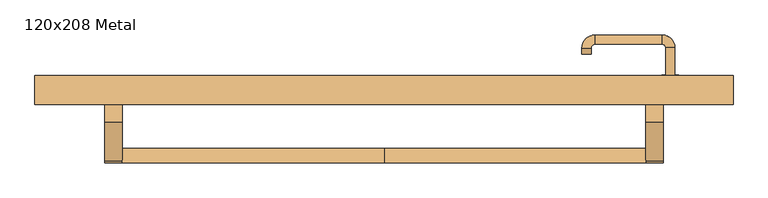
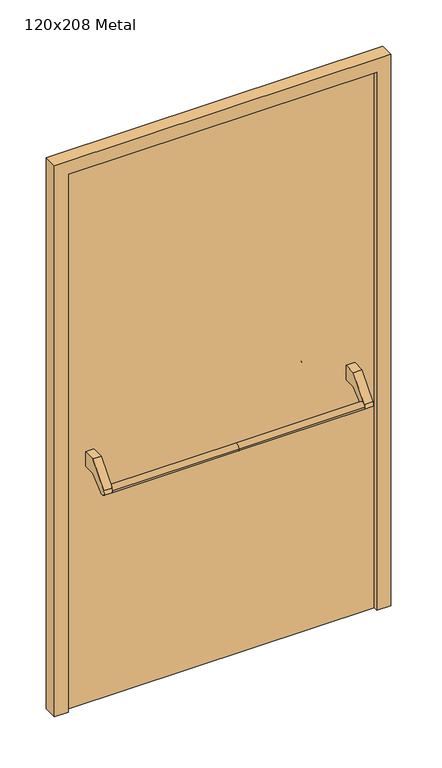
"""IFC4 building model written with IfcOpenShell, lengths in millimetres: door geometry, 120x208 Metal."""

from ifc_helpers import new_model, si_unit, point, frame, frame_2d, origin, origin_with_axes, place, context, project, spatial, polyline, circle_curve, ellipse_curve, trimmed, segment, composite_curve, outline, extrude, source, transform, mapped, element, save
from ifc_brep_helpers import plane_surface, cylinder_surface, revolved_surface, advanced_brep


def door_120x208_metal_ee77f25d(model_context):
    return source(origin(), model_context, "Body", "SolidModel", [
        advanced_brep(
        [(-450.0, 24.5828565, 861.5304884), (-450.0, -0.4171435, 861.5304884), (0.0, 24.5828565, 861.5304884), (0.0, -0.4171435, 861.5304884), (450.0, 24.5828565, 861.5304884), (450.0, -0.4171435, 861.5304884)],
        [
            (0, 1, circle_curve(frame((-450.0, 12.0828565, 861.5304884), z_axis=(-1.0, 0.0, 0.0), x_axis=(0.0, -1.0, 0.0)), 12.5)),
            (1, 0, circle_curve(frame((-450.0, 12.0828565, 861.5304884), z_axis=(-1.0, 0.0, 0.0), x_axis=(0.0, -1.0, 0.0)), 12.5)),
            (0, 2),
            (2, 3, circle_curve(frame((0.0, 12.0828565, 861.5304884), z_axis=(-1.0, 0.0, 0.0), x_axis=(0.0, -1.0, 0.0)), 12.5)),
            (3, 1),
            (3, 2, circle_curve(frame((0.0, 12.0828565, 861.5304884), z_axis=(-1.0, 0.0, 0.0), x_axis=(0.0, -1.0, 0.0)), 12.5)),
            (4, 5, circle_curve(frame((450.0, 12.0828565, 861.5304884), z_axis=(1.0, 0.0, 0.0), x_axis=(0.0, -1.0, 0.0)), 12.5)),
            (5, 4, circle_curve(frame((450.0, 12.0828565, 861.5304884), z_axis=(1.0, 0.0, 0.0), x_axis=(0.0, -1.0, 0.0)), 12.5)),
            (5, 3),
            (2, 4),
        ],
        [
            plane_surface(frame((-450.0, -0.4171435, 861.5304884), z_axis=(-1.0, 0.0, 0.0), x_axis=(0.0, 0.0, -1.0))),
            cylinder_surface(frame((-450.0, 12.0828565, 861.5304884), z_axis=(1.0, 0.0, 0.0), x_axis=(0.0, -1.0, 0.0)), 12.5),
            plane_surface(frame((450.0, -0.4171435, 861.5304884), z_axis=(1.0, 0.0, 0.0), x_axis=(0.0, 0.0, 1.0))),
            cylinder_surface(frame((0.0, 12.0828565, 861.5304884), z_axis=(1.0, 0.0, 0.0), x_axis=(0.0, -1.0, 0.0)), 12.5),
        ],
        [
            (0, [[1, 2]]),
            (1, [[3, 4, 5, -1]]),
            (1, [[-5, 6, -3, -2]]),
            (2, [[7, 8]]),
            (3, [[9, -4, 10, -8]]),
            (3, [[-10, -6, -9, -7]]),
        ],
    ),
        extrude(outline(composite_curve([segment(polyline([(70.0, 950.0), (115.0, 950.0), (115.0, 895.2768379), (71.4513009, 895.2768379), (21.6584121, 853.4956432)]), True, "CONTINUOUS"), segment(trimmed(circle_curve(frame_2d((12.0828565, 861.5304884)), 12.5), [point((21.6584121, 853.4956432))], [point((2.507301, 869.5653335))], False, "CARTESIAN"), True, "CONTINUOUS"), segment(polyline([(2.507301, 869.5653335), (70.0, 950.0)]), True, "CONTINUOUS")], self_intersect=False)), frame((-480.0, 0.0, 0.0), z_axis=(1.0, 0.0, 0.0), x_axis=(0.0, 1.0, 0.0)), (0.0, 0.0, 1.0), 30.0),
        extrude(outline(composite_curve([segment(polyline([(70.0, 950.0), (115.0, 950.0), (115.0, 895.2768379), (71.4513009, 895.2768379), (21.6584121, 853.4956432)]), True, "CONTINUOUS"), segment(trimmed(circle_curve(frame_2d((12.0828565, 861.5304884)), 12.5), [point((21.6584121, 853.4956432))], [point((2.507301, 869.5653335))], False, "CARTESIAN"), True, "CONTINUOUS"), segment(polyline([(2.507301, 869.5653335), (70.0, 950.0)]), True, "CONTINUOUS")], self_intersect=False)), frame((450.0, 0.0, 0.0), z_axis=(1.0, 0.0, 0.0), x_axis=(0.0, 1.0, 0.0)), (0.0, 0.0, 1.0), 30.0),
        extrude(outline(composite_curve([segment(trimmed(circle_curve(frame_2d((0.0, -15.0)), 15.0), [point((0.0, -30.0))], [point((0.0, 0.0))], False, "CARTESIAN"), True, "CONTINUOUS"), segment(trimmed(circle_curve(frame_2d((0.0, -15.0)), 15.0), [point((0.0, 0.0))], [point((0.0, -30.0))], False, "CARTESIAN"), True, "CONTINUOUS")], self_intersect=False), holes=[composite_curve([segment(trimmed(circle_curve(frame_2d((4.7772515, -14.9398032)), 2.0), [point((4.7772515, -16.9398032))], [point((4.7772515, -12.9398032))], True, "CARTESIAN"), True, "CONTINUOUS"), segment(polyline([(4.7772515, -12.9398032), (-5.2227485, -12.9398032)]), True, "CONTINUOUS"), segment(trimmed(circle_curve(frame_2d((-5.2227485, -14.9398032)), 2.0), [point((-5.2227485, -12.9398032))], [point((-5.2227485, -16.9398032))], True, "CARTESIAN"), True, "CONTINUOUS"), segment(polyline([(-5.2227485, -16.9398032), (4.7772515, -16.9398032)]), True, "CONTINUOUS")], self_intersect=False)]), frame((477.0, 145.0, 897.3605726), z_axis=(1.8870575173328306e-12, 1.0, 0.0), x_axis=(0.0, 0.0, -1.0)), (0.0, 0.0, 1.0), 6.35),
        extrude(outline(composite_curve([segment(trimmed(circle_curve(frame_2d((0.0, -17.526)), 17.526), [point((0.0, -35.052))], [point((0.0, 0.0))], False, "CARTESIAN"), True, "CONTINUOUS"), segment(trimmed(circle_curve(frame_2d((0.0, -17.526)), 17.526), [point((0.0, 0.0))], [point((0.0, -35.052))], False, "CARTESIAN"), True, "CONTINUOUS")], self_intersect=False)), frame((474.474, 145.0, 950.0), z_axis=(1.8870575173328306e-12, 1.0, 0.0), x_axis=(0.0, 0.0, -1.0)), (0.0, 0.0, 1.0), 3.175),
        advanced_brep(
        [(500.0, 145.0, 950.0), (484.0, 145.0, 950.0), (500.0, 198.0, 950.0), (484.0, 198.0, 950.0), (477.8578644, 204.1421356, 950.0), (477.8578644, 220.1421356, 950.0), (362.8578644, 220.1421356, 950.0), (362.8578644, 204.1421356, 950.0), (356.008622, 197.2928932, 950.0), (340.008622, 197.2928932, 950.0), (340.008622, 187.2928932, 950.0), (356.008622, 187.2928932, 950.0)],
        [
            (0, 1, circle_curve(frame((492.0, 145.0, 950.0), z_axis=(-1.888672253512351e-12, -1.0, 0.0), x_axis=(-1.0, 1.888672253512351e-12, 0.0)), 8.0)),
            (1, 0, circle_curve(frame((492.0, 145.0, 950.0), z_axis=(-1.888672253512351e-12, -1.0, 0.0), x_axis=(-1.0, 1.888672253512351e-12, 0.0)), 8.0)),
            (0, 2),
            (2, 3, circle_curve(frame((492.0, 198.0, 950.0), z_axis=(-1.888672253512351e-12, -1.0, 0.0), x_axis=(-1.0, 1.888672253512351e-12, 0.0)), 8.0)),
            (3, 1),
            (3, 2, circle_curve(frame((492.0, 198.0, 950.0), z_axis=(-1.888672253512351e-12, -1.0, 0.0), x_axis=(-1.0, 1.888672253512351e-12, 0.0)), 8.0)),
            (4, 3, circle_curve(frame((477.8578644, 198.0, 950.0), z_axis=(0.0, 0.0, -1.0), x_axis=(1.0, -1.880717803715015e-12, 0.0)), 6.1421356)),
            (2, 5, circle_curve(frame((477.8578644, 198.0, 950.0), z_axis=(0.0, 0.0, 1.0), x_axis=(1.0, -1.880717803715015e-12, 0.0)), 22.1421356)),
            (5, 4, circle_curve(frame((477.8578644, 212.1421356, 950.0), z_axis=(1.0, -1.913702061528922e-12, 0.0), x_axis=(-1.913702061528922e-12, -1.0, 0.0)), 8.0)),
            (4, 5, circle_curve(frame((477.8578644, 212.1421356, 950.0), z_axis=(1.0, -1.913702061528922e-12, 0.0), x_axis=(-1.913702061528922e-12, -1.0, 0.0)), 8.0)),
            (5, 6),
            (6, 7, circle_curve(frame((362.8578644, 212.1421356, 950.0), z_axis=(1.0, -1.913719828541269e-12, 0.0), x_axis=(-1.913719828541269e-12, -1.0, 0.0)), 8.0)),
            (7, 4),
            (7, 6, circle_curve(frame((362.8578644, 212.1421356, 950.0), z_axis=(1.0, -1.913719828541269e-12, 0.0), x_axis=(-1.913719828541269e-12, -1.0, 0.0)), 8.0)),
            (8, 7, circle_curve(frame((362.8578644, 197.2928932, 950.0), z_axis=(0.0, 0.0, -1.0), x_axis=(1.9120873253494017e-12, 1.0, 0.0)), 6.8492424)),
            (6, 9, circle_curve(frame((362.8578644, 197.2928932, 950.0), z_axis=(0.0, 0.0, 1.0), x_axis=(1.9120873253494017e-12, 1.0, 0.0)), 22.8492424)),
            (9, 8, circle_curve(frame((348.008622, 197.2928932, 950.0), z_axis=(1.890670654956676e-12, 1.0, 0.0), x_axis=(1.0, -1.890670654956676e-12, 0.0)), 8.0)),
            (8, 9, circle_curve(frame((348.008622, 197.2928932, 950.0), z_axis=(1.890226565746826e-12, 1.0, 0.0), x_axis=(1.0, -1.890226565746826e-12, 0.0)), 8.0)),
            (10, 11, circle_curve(frame((348.008622, 187.2928932, 950.0), z_axis=(-1.8903642334018795e-12, -1.0, 0.0), x_axis=(1.0, -1.8903642334018795e-12, 0.0)), 8.0)),
            (11, 10, circle_curve(frame((348.008622, 187.2928932, 950.0), z_axis=(-1.8903642334018795e-12, -1.0, 0.0), x_axis=(1.0, -1.8903642334018795e-12, 0.0)), 8.0)),
            (9, 10),
            (11, 8),
        ],
        [
            plane_surface(frame((492.0, 145.0, 170.0), z_axis=(-1.8870575173328306e-12, -1.0, 0.0), x_axis=(0.0, 0.0, 1.0))),
            cylinder_surface(frame((492.0, 145.0, 950.0), z_axis=(-1.888672253512351e-12, -1.0, 0.0), x_axis=(-1.0, 1.888672253512351e-12, 0.0)), 8.0),
            revolved_surface(trimmed(ellipse_curve(frame((492.0, 198.0, 950.0), z_axis=(-1.8823325398945356e-12, -1.0, 0.0), x_axis=(-1.0, 1.8823325398945356e-12, 0.0)), 8.0, 8.0), [point((500.0, 198.0, 950.0))], [point((484.0, 198.0, 950.0))], True, "CARTESIAN"), (477.8578644, 198.0, 170.0), (0.0, 0.0, 1.0)),
            revolved_surface(trimmed(ellipse_curve(frame((492.0, 198.0, 950.0), z_axis=(-1.8823325398945356e-12, -1.0, 0.0), x_axis=(-1.0, 1.8823325398945356e-12, 0.0)), 8.0, 8.0), [point((484.0, 198.0, 950.0))], [point((500.0, 198.0, 950.0))], True, "CARTESIAN"), (477.8578644, 198.0, 170.0), (0.0, 0.0, 1.0)),
            cylinder_surface(frame((477.8578644, 212.1421356, 950.0), z_axis=(1.0, -1.913719828541269e-12, 0.0), x_axis=(-1.913719828541269e-12, -1.0, 0.0)), 8.0),
            revolved_surface(trimmed(ellipse_curve(frame((362.8578644, 212.1421356, 950.0), z_axis=(1.0, -1.913702061528922e-12, 0.0), x_axis=(-1.913702061528922e-12, -1.0, 0.0)), 8.0, 8.0), [point((362.8578644, 220.1421356, 950.0))], [point((362.8578644, 204.1421356, 950.0))], True, "CARTESIAN"), (362.8578644, 197.2928932, 170.0), (0.0, 0.0, 1.0)),
            revolved_surface(trimmed(ellipse_curve(frame((362.8578644, 212.1421356, 950.0), z_axis=(1.0, -1.913702061528922e-12, 0.0), x_axis=(-1.913702061528922e-12, -1.0, 0.0)), 8.0, 8.0), [point((362.8578644, 204.1421356, 950.0))], [point((362.8578644, 220.1421356, 950.0))], True, "CARTESIAN"), (362.8578644, 197.2928932, 170.0), (0.0, 0.0, 1.0)),
            plane_surface(frame((348.008622, 187.2928932, 170.0), z_axis=(-1.8887494972223595e-12, -1.0, 0.0), x_axis=(0.0, 0.0, 1.0))),
            cylinder_surface(frame((348.008622, 197.2928932, 950.0), z_axis=(1.8903642334018795e-12, 1.0, 0.0), x_axis=(1.0, -1.8903642334018795e-12, 0.0)), 8.0),
        ],
        [
            (0, [[1, 2]]),
            (1, [[-1, 3, 4, 5]]),
            (1, [[-2, -5, 6, -3]]),
            (2, [[7, -4, 8, 9]]),
            (3, [[-8, -6, -7, 10]]),
            (4, [[-9, 11, 12, 13]]),
            (4, [[-10, -13, 14, -11]]),
            (5, [[15, -12, 16, 17]]),
            (6, [[-16, -14, -15, 18]]),
            (7, [[19, 20]]),
            (8, [[-17, 21, -20, 22]]),
            (8, [[-18, -22, -19, -21]]),
        ],
    ),
        extrude(outline(polyline([(2030.0, 550.0), (0.0, 550.0), (0.0, 600.0), (2080.0, 600.0), (2080.0, -600.0), (0.0, -600.0), (0.0, -550.0), (2030.0, -550.0), (2030.0, 550.0)])), frame((0.0, 100.0, 0.0), z_axis=(0.0, 1.0, 0.0), x_axis=(0.0, 0.0, 1.0)), (0.0, 0.0, 1.0), 50.0),
        extrude(outline(polyline([(-550.0, 145.0), (550.0, 145.0), (550.0, 115.0), (-550.0, 115.0), (-550.0, 145.0)])), origin_with_axes(), (0.0, 0.0, 1.0), 2030.0),
    ])


if __name__ == "__main__":
    model = new_model("IFC4")
    model_context = context("Model", 3, world=origin())
    ifc_project = project(units=[si_unit("LENGTHUNIT", "METRE", prefix="MILLI")], contexts=[model_context])
    site = spatial("IfcSite", under=ifc_project)
    building = spatial("IfcBuilding", under=site)
    placement = place(None, origin())
    door_120x208_metal_shape = door_120x208_metal_ee77f25d(model_context)
    element("IfcDoor", 1, ObjectType="120x208 Metal", at=placement, inside=building, context=model_context, shape_type="MappedRepresentation", body=[
        mapped(door_120x208_metal_shape, transform((0.0, 0.0, 0.0), x_axis=(1.0, 0.0, 0.0), y_axis=(0.0, 1.0, 0.0), z_axis=(0.0, 0.0, 1.0))),
    ])
    save(model, "model.ifc")
